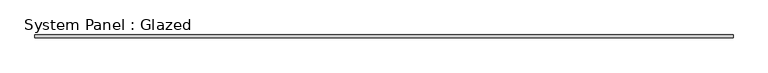
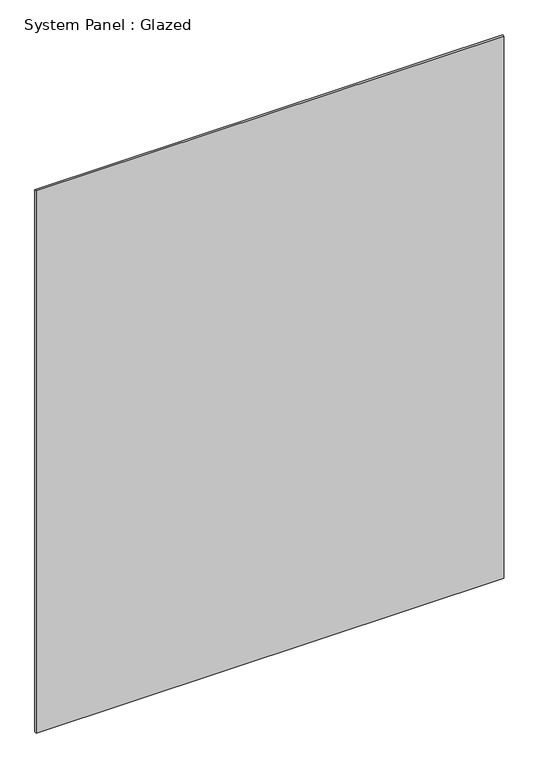
"""IFC4 building model written with IfcOpenShell, lengths in millimetres: plate geometry, System Panel : Glazed."""

from ifc_helpers import new_model, si_unit, origin, origin_with_axes, place, context, project, spatial, polyline, outline, extrude, source, transform, mapped, element, save


def system_panel_glazed_f0e509b6(model_context):
    return source(origin(), model_context, "Body", "SweptSolid", [
        extrude(outline(polyline([(3048.0, 25.4), (-3048.0, 25.4), (-3048.0, 50.8), (3048.0, 50.8), (3048.0, 25.4)])), origin_with_axes(), (0.0, 0.0, 1.0), 7467.6),
    ])


if __name__ == "__main__":
    model = new_model("IFC4")
    model_context = context("Model", 3, world=origin())
    ifc_project = project(units=[si_unit("LENGTHUNIT", "METRE", prefix="MILLI")], contexts=[model_context])
    site = spatial("IfcSite", under=ifc_project)
    building = spatial("IfcBuilding", under=site)
    placement = place(None, origin())
    system_panel_glazed_shape = system_panel_glazed_f0e509b6(model_context)
    element("IfcPlate", 1, ObjectType="System Panel : Glazed", at=placement, inside=building, context=model_context, shape_type="MappedRepresentation", body=[
        mapped(system_panel_glazed_shape, transform((0.0, 0.0, 0.0), x_axis=(1.0, 0.0, 0.0), y_axis=(0.0, 1.0, 0.0), z_axis=(0.0, 0.0, 1.0))),
    ])
    save(model, "model.ifc")
